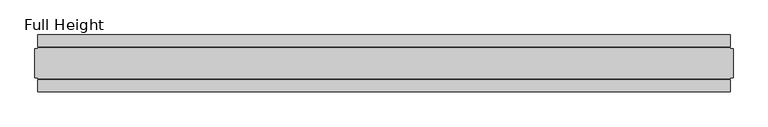
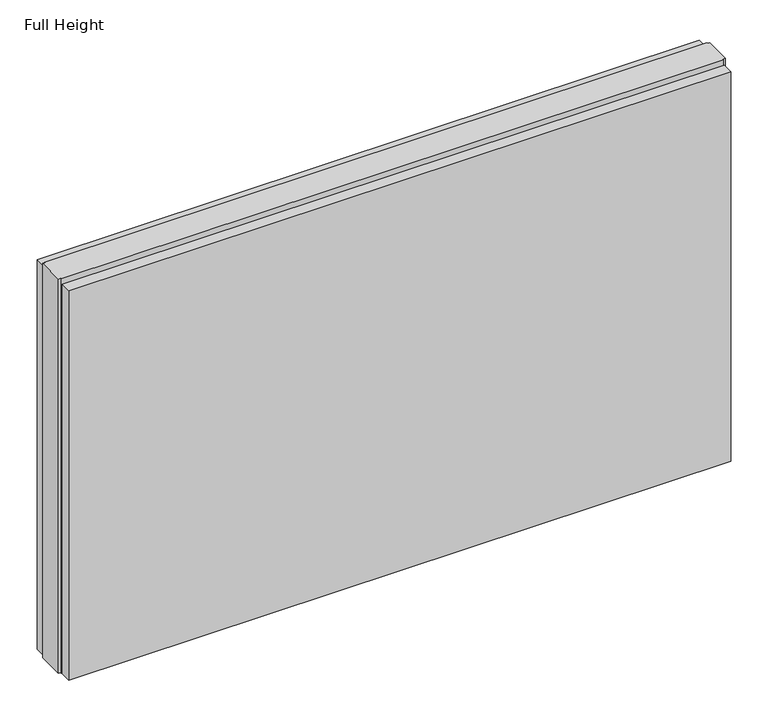
"""IFC4 building model written with IfcOpenShell, lengths in millimetres: plate geometry, Full Height."""

from ifc_helpers import new_model, si_unit, origin, origin_with_axes, place, context, project, spatial, polyline, outline, extrude, source, transform, mapped, element, save


def full_height_c998f156(model_context):
    return source(origin(), model_context, "Body", "SweptSolid", [
        extrude(outline(polyline([(605.028, 28.956), (-605.028, 28.956), (-605.028, 49.53), (605.028, 49.53), (605.028, 28.956)])), origin_with_axes(), (0.0, 0.0, 1.0), 752.856),
        extrude(outline(polyline([(605.028, -28.956), (605.028, -49.53), (-605.028, -49.53), (-605.028, -28.956), (605.028, -28.956)])), origin_with_axes(), (0.0, 0.0, 1.0), 752.856),
        extrude(outline(polyline([(605.028, -25.146), (605.028, -26.67), (-605.028, -26.67), (-605.028, -25.146), (-609.6, -25.146), (-609.6, 25.146), (-605.028, 25.146), (-605.028, 26.67), (605.028, 26.67), (605.028, 25.146), (609.6, 25.146), (609.6, -25.146), (605.028, -25.146)])), origin_with_axes(), (0.0, 0.0, 1.0), 762.0),
    ])


if __name__ == "__main__":
    model = new_model("IFC4")
    model_context = context("Model", 3, world=origin())
    ifc_project = project(units=[si_unit("LENGTHUNIT", "METRE", prefix="MILLI")], contexts=[model_context])
    site = spatial("IfcSite", under=ifc_project)
    building = spatial("IfcBuilding", under=site)
    placement = place(None, origin())
    full_height_shape = full_height_c998f156(model_context)
    element("IfcPlate", 1, ObjectType="Full Height", at=placement, inside=building, context=model_context, shape_type="MappedRepresentation", body=[
        mapped(full_height_shape, transform((0.0, 0.0, 0.0), x_axis=(1.0, 0.0, 0.0), y_axis=(0.0, 1.0, 0.0), z_axis=(0.0, 0.0, 1.0))),
    ])
    save(model, "model.ifc")
